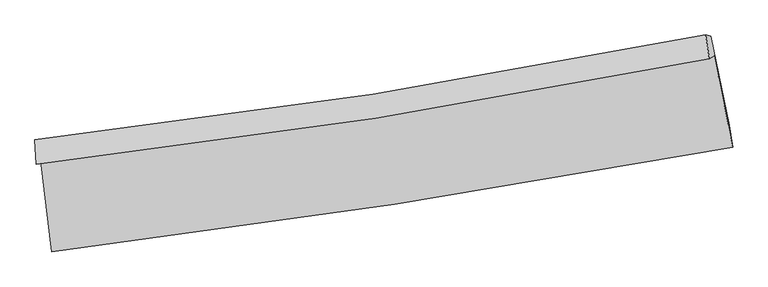
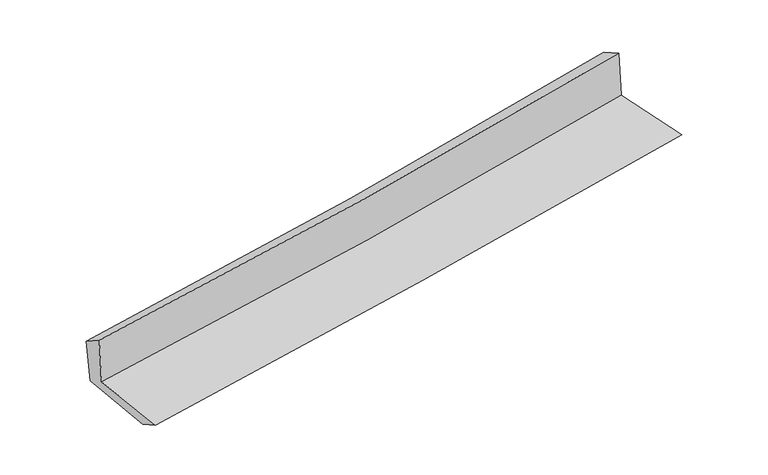
"""IFC4 building model written with IfcOpenShell, lengths in millimetres: proxy geometry."""

from ifc_helpers import new_model, si_unit, frame, origin, place, context, project, spatial, source, transform, mapped, element, save
from ifc_brep_helpers import plane_surface, spline_curve, spline_surface, advanced_brep


def generic_models_e3f6ab19(model_context):
    return source(origin(), model_context, "Body", "AdvancedBrep", [
        advanced_brep(
        [(-2460.4309126, -1866.4405357, 1665.4244258), (-2383.0264701, -2526.8303919, 1650.2128137), (2535.8278806, -1770.882458, 2084.6411369), (2401.8996526, -1111.8386988, 2087.3496335), (-2493.6904914, -1892.1029009, 2067.2541128), (2368.0289195, -1132.5567743, 2489.6442065), (-2503.6870711, -1717.1650164, 1954.6885883), (2341.3459262, -960.0606748, 2401.9018902), (-2470.2497044, -1721.5887785, 1589.3218253), (2379.7711876, -969.5683334, 2016.2607184), (-2394.1932731, -2359.3240132, 1560.1258903), (2512.406003, -1611.9598965, 1991.5307062)],
        [
            (0, 1),
            (1, 2, spline_curve(3, [(-2383.0264701, -2526.8303919, 1650.2128137), (-1556.307749904, -2423.149098337, 1727.675441564), (-730.909873355, -2307.923797988, 1802.785972736), (908.680935269, -2055.702484475, 1947.546784788), (1722.901175942, -1918.9451404, 2017.245694844), (2535.8278806, -1770.882458, 2084.6411369)], [4, 2, 4], [0.0, 8.19199560225961, 16.298865477866194])),
            (2, 3),
            (3, 0, spline_curve(3, [(2401.8996526, -1111.8386988, 2087.3496335), (1600.685947022, -1269.195203026, 2019.672788749), (797.014034995, -1410.512721898, 1950.863513935), (-823.710924309, -1662.385269027, 1810.245684964), (-1640.815867737, -1772.601695751, 1738.413223822), (-2460.4309126, -1866.4405357, 1665.4244258)], [4, 2, 4], [0.0, 8.106869875606584, 16.298865477866194])),
            (4, 0),
            (3, 5),
            (5, 4, spline_curve(3, [(2368.0289195, -1132.5567743, 2489.6442065), (1567.242367255, -1292.373501361, 2421.919564637), (763.835546431, -1435.335287767, 2353.047929228), (-856.682273699, -1688.873157004, 2212.275445741), (-1673.848589924, -1799.093412858, 2140.350383135), (-2493.6904914, -1892.1029009, 2067.2541128)], [4, 2, 4], [0.0, 8.061187247770416, 16.207020534355067])),
            (6, 4),
            (5, 7),
            (7, 6, spline_curve(3, [(2341.3459262, -960.0606748, 2401.9018902), (1543.222780556, -1119.065054441, 2332.103040168), (742.530665916, -1261.417183803, 2260.14183494), (-872.426099503, -1514.136845634, 2111.116384226), (-1686.744983574, -1624.152830214, 2034.006488648), (-2503.6870711, -1717.1650164, 1954.6885883)], [4, 2, 4], [0.0, 8.049487298638033, 16.183497781439])),
            (8, 6),
            (7, 9),
            (9, 8, spline_curve(3, [(2379.7711876, -969.5683334, 2016.2607184), (1581.300449898, -1129.475916834, 1946.366880849), (780.022303986, -1271.862762466, 1876.029865557), (-836.592058874, -1522.906127004, 1733.726257454), (-1651.987543729, -1631.192763336, 1661.750308098), (-2470.2497044, -1721.5887785, 1589.3218253)], [4, 2, 4], [0.0, 8.039557707016277, 16.163534333082673])),
            (10, 8),
            (9, 11),
            (11, 10, spline_curve(3, [(2512.406003, -1611.9598965, 1991.5307062), (1702.081835881, -1760.081157766, 1921.305477038), (890.180276662, -1896.160078775, 1850.433618073), (-745.319514579, -2145.535678492, 1706.645663693), (-1568.951047597, -2258.578129966, 1633.715917731), (-2394.1932731, -2359.3240132, 1560.1258903)], [4, 2, 4], [0.0, 8.086110141754045, 16.257128023754962])),
            (1, 10),
            (11, 2),
        ],
        [
            spline_surface(3, 3, [[(-2460.4309126, -1866.4405357, 1665.4244258), (-1640.815867632, -1772.601695738, 1738.413223904), (-823.710924428, -1662.385268956, 1810.245684951), (797.014035112, -1410.512721968, 1950.863513948), (1600.68594693, -1269.195203109, 2019.67278881), (2401.8996526, -1111.8386988, 2087.3496335)], [(-2434.629431751, -2086.570487771, 1660.353888453), (-1612.64649503, -1989.450829954, 1734.833963111), (-792.777240791, -1877.564778591, 1807.759114203), (834.236335191, -1625.575976169, 1949.757937606), (1641.424356574, -1485.778515552, 2018.86375748), (2446.542395249, -1331.519951854, 2086.446801318)], [(-2408.827950949, -2306.700439829, 1655.283351047), (-1584.477122474, -2206.299964157, 1731.254702261), (-761.843557113, -2092.744288241, 1805.272543402), (871.458635311, -1840.639230384, 1948.652361212), (1682.162766272, -1702.361828032, 2018.054726096), (2491.185137951, -1551.201204946, 2085.543969082)], [(-2383.0264701, -2526.8303919, 1650.2128137), (-1556.307749872, -2423.149098373, 1727.675441468), (-730.909873476, -2307.923797876, 1802.785972653), (908.680935389, -2055.702484585, 1947.54678487), (1722.901175915, -1918.945140475, 2017.245694765), (2535.8278806, -1770.882458, 2084.6411369)]], [4, 4], [4, 2, 4], [0.0, 2.1437688559620427], [0.0, 8.19199560225961, 16.298865477866194]),
            spline_surface(3, 3, [[(-2493.6904914, -1892.1029009, 2067.2541128), (-1673.84858985, -1799.093412838, 2140.35038306), (-856.682273684, -1688.873157034, 2212.27544571), (763.835546416, -1435.335287737, 2353.047929259), (1567.242367211, -1292.37350132, 2421.919564528), (2368.0289195, -1132.5567743, 2489.6442065)], [(-2482.603965134, -1883.548779167, 1933.31088379), (-1662.837682445, -1790.262840472, 2006.371329998), (-845.691823935, -1680.043861013, 2078.265525431), (774.895042645, -1427.061099153, 2218.986457463), (1578.390227135, -1284.647401909, 2287.837305949), (2379.319163885, -1125.650749126, 2355.546015494)], [(-2471.517438866, -1874.994657433, 1799.36765481), (-1651.826775037, -1781.432268105, 1872.392276966), (-834.701374177, -1671.214564977, 1944.25560523), (785.954538884, -1418.786910552, 2084.924985744), (1589.538087006, -1276.92130252, 2153.755047389), (2390.609408215, -1118.744723974, 2221.447824506)], [(-2460.4309126, -1866.4405357, 1665.4244258), (-1640.815867632, -1772.601695738, 1738.413223904), (-823.710924428, -1662.385268956, 1810.245684951), (797.014035112, -1410.512721968, 1950.863513948), (1600.68594693, -1269.195203109, 2019.67278881), (2401.8996526, -1111.8386988, 2087.3496335)]], [4, 4], [4, 2, 4], [0.0, 1.3263765508544942], [0.0, 8.14583328658465, 16.207020534355067]),
            spline_surface(3, 3, [[(-2503.6870711, -1717.1650164, 1954.6885883), (-1686.744983708, -1624.152830331, 2034.006488726), (-872.426099401, -1514.136845696, 2111.116384166), (742.530665815, -1261.417183741, 2260.141834999), (1543.22278061, -1119.065054513, 2332.103040204), (2341.3459262, -960.0606748, 2401.9018902)], [(-2500.354877871, -1775.477644555, 1992.210429804), (-1682.44618576, -1682.466357822, 2069.454453508), (-867.178157496, -1572.382282798, 2144.836071347), (749.632292682, -1319.389885063, 2291.110533085), (1551.229309477, -1176.834536783, 2362.041881647), (2350.2402573, -1017.559374634, 2431.149328968)], [(-2497.022684629, -1833.790272745, 2029.732271296), (-1678.147387799, -1740.779885347, 2104.902418278), (-861.930215589, -1630.627719931, 2178.555758529), (756.73391955, -1377.362586415, 2322.079231173), (1559.235838344, -1234.60401905, 2391.980723085), (2359.1345884, -1075.058074466, 2460.396767732)], [(-2493.6904914, -1892.1029009, 2067.2541128), (-1673.84858985, -1799.093412838, 2140.35038306), (-856.682273684, -1688.873157034, 2212.27544571), (763.835546416, -1435.335287737, 2353.047929259), (1567.242367211, -1292.37350132, 2421.919564528), (2368.0289195, -1132.5567743, 2489.6442065)]], [4, 4], [4, 2, 4], [0.0, 0.6574564117756526], [0.0, 8.134010482800969, 16.183497781439]),
            spline_surface(3, 3, [[(-2470.2497044, -1721.5887785, 1589.3218253), (-1651.987543791, -1631.192763201, 1661.750307989), (-836.592058979, -1522.906127007, 1733.726257319), (780.02230409, -1271.862762463, 1876.02986569), (1581.30044993, -1129.47591694, 1946.366880752), (2379.7711876, -969.5683334, 2016.2607184)], [(-2481.39549331, -1720.114191155, 1711.110746283), (-1663.573357107, -1628.846118933, 1785.835701551), (-848.536739094, -1519.983033246, 1859.522966279), (767.525091357, -1268.380902898, 2004.067188804), (1568.607893472, -1126.005629477, 2074.945600559), (2366.962767115, -966.399113879, 2144.807775656)], [(-2492.54128219, -1718.639603745, 1832.899667317), (-1675.159170393, -1626.499474599, 1909.921095164), (-860.481419286, -1517.059939457, 1985.319675206), (755.027878548, -1264.899043305, 2132.104511885), (1555.915337069, -1122.535341976, 2203.524320398), (2354.154346685, -963.229894321, 2273.354832944)], [(-2503.6870711, -1717.1650164, 1954.6885883), (-1686.744983708, -1624.152830331, 2034.006488726), (-872.426099401, -1514.136845696, 2111.116384166), (742.530665815, -1261.417183741, 2260.141834999), (1543.22278061, -1119.065054513, 2332.103040204), (2341.3459262, -960.0606748, 2401.9018902)]], [4, 4], [4, 2, 4], [0.0, 1.2552382839325058], [0.0, 8.123976626066396, 16.163534333082673]),
            spline_surface(3, 3, [[(-2394.1932731, -2359.3240132, 1560.1258903), (-1568.951047626, -2258.578129935, 1633.715917622), (-745.319514714, -2145.535678557, 1706.645663787), (890.180276796, -1896.16007871, 1850.43361798), (1702.081835862, -1760.081157871, 1921.305477126), (2512.406003, -1611.9598965, 1991.5307062)], [(-2419.545416846, -2146.74560161, 1569.857868648), (-1596.629879661, -2049.449674334, 1643.060714426), (-775.743696165, -1937.992494691, 1715.672528296), (853.460952531, -1688.060973279, 1858.965700549), (1661.821373885, -1549.879410887, 1929.659278342), (2468.194397867, -1397.82937546, 1999.774043607)], [(-2444.897560654, -1934.16719009, 1579.589846952), (-1624.308711757, -1840.321218802, 1652.405511186), (-806.167877528, -1730.449310872, 1724.69939281), (816.741628355, -1479.961867894, 1867.497783122), (1621.560911907, -1339.677663924, 1938.013079536), (2423.982792733, -1183.69885444, 2008.017380993)], [(-2470.2497044, -1721.5887785, 1589.3218253), (-1651.987543791, -1631.192763201, 1661.750307989), (-836.592058979, -1522.906127007, 1733.726257319), (780.02230409, -1271.862762463, 1876.02986569), (1581.30044993, -1129.47591694, 1946.366880752), (2379.7711876, -969.5683334, 2016.2607184)]], [4, 4], [4, 2, 4], [0.0, 2.073724934980441], [0.0, 8.171017882000918, 16.257128023754962]),
            spline_surface(3, 3, [[(-2383.0264701, -2526.8303919, 1650.2128137), (-1556.307749872, -2423.149098373, 1727.675441468), (-730.909873476, -2307.923797876, 1802.785972653), (908.680935389, -2055.702484585, 1947.54678487), (1722.901175915, -1918.945140475, 2017.245694765), (2535.8278806, -1770.882458, 2084.6411369)], [(-2386.748737787, -2470.994932341, 1620.183839223), (-1560.522182477, -2368.292108901, 1696.355600176), (-735.713087201, -2253.794424785, 1770.739203031), (902.514049212, -2002.521682642, 1915.175729239), (1715.961395915, -1865.99047962, 1985.265622209), (2528.020588084, -1717.908270847, 2053.604326657)], [(-2390.471005413, -2415.159472759, 1590.154864777), (-1564.736615021, -2313.435119406, 1665.035758915), (-740.516300989, -2199.665051648, 1738.692433409), (896.347162972, -1949.340880653, 1882.804673611), (1709.021615862, -1813.035818726, 1953.285549682), (2520.213295516, -1664.934083653, 2022.567516443)], [(-2394.1932731, -2359.3240132, 1560.1258903), (-1568.951047626, -2258.578129935, 1633.715917622), (-745.319514714, -2145.535678557, 1706.645663787), (890.180276796, -1896.16007871, 1850.43361798), (1702.081835862, -1760.081157871, 1921.305477126), (2512.406003, -1611.9598965, 1991.5307062)]], [4, 4], [4, 2, 4], [0.0, 0.6183352602837181], [0.0, 8.227316015687942, 16.36913927866416]),
            plane_surface(frame((2423.2132616, -1259.477806, 2178.5547153), z_axis=(0.9758557297867197, 0.19792993290369618, 0.0923544059759299), x_axis=(-0.0991191466869635, 0.024525298410483048, 0.9947732930160142))),
            plane_surface(frame((-2450.8796538, -2013.9086061, 1747.8379427), z_axis=(-0.989479333234915, -0.11392300861966735, -0.08917509298022254), x_axis=(-0.11638284171718674, 0.9929410454902103, 0.022871692867830265))),
        ],
        [
            (0, [[1, 2, 3, 4]]),
            (1, [[5, -4, 6, 7]]),
            (2, [[8, -7, 9, 10]]),
            (3, [[11, -10, 12, 13]]),
            (4, [[14, -13, 15, 16]]),
            (5, [[17, -16, 18, -2]]),
            (6, [[-12, -9, -6, -3, -18, -15]]),
            (7, [[-1, -5, -8, -11, -14, -17]]),
        ],
    ),
    ])


if __name__ == "__main__":
    model = new_model("IFC4")
    model_context = context("Model", 3, world=origin())
    ifc_project = project(units=[si_unit("LENGTHUNIT", "METRE", prefix="MILLI")], contexts=[model_context])
    site = spatial("IfcSite", under=ifc_project)
    building = spatial("IfcBuilding", under=site)
    placement = place(None, origin())
    generic_models_shape = generic_models_e3f6ab19(model_context)
    element("IfcBuildingElementProxy", 1, Name="Generic Models", at=placement, inside=building, context=model_context, shape_type="MappedRepresentation", body=[
        mapped(generic_models_shape, transform((0.0, 0.0, 0.0), x_axis=(1.0, 0.0, 0.0), y_axis=(0.0, 1.0, 0.0), z_axis=(0.0, 0.0, 1.0))),
    ])
    save(model, "model.ifc")
